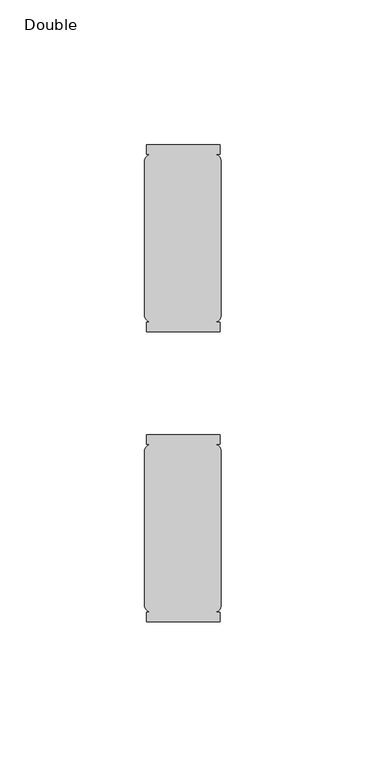
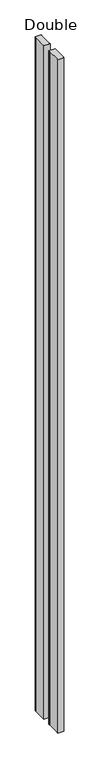
"""IFC4 building model written with IfcOpenShell, lengths in millimetres: furniture geometry, Double."""

import ifcopenshell
import ifcopenshell.guid

model = None  # the IFC model being written
_history = None  # IfcOwnerHistory: only IFC2X3 demands one
_inside = {}  # id of a spatial element -> (the spatial element, [elements in it])
_under = {}  # id of a project, library or spatial element -> (it, [spatial elements below it])
_declared = {}  # id of a project -> (the project, [libraries it declares])
_typed = {}  # id of a type object -> (the type object, [elements of that type])
_made_of = {}  # id of a material, layer set ... -> (it, [elements and type objects made of it])


def new_model(schema):
    """Start an empty IFC model of exactly this schema.

    Asked for "IFC4X3", IfcOpenShell would pick the latest addendum, in which some entities
    have other attributes; the version numbers below select the first issue.
    IFC2X3 requires an IfcOwnerHistory on every rooted entity: one is made here for all.
    """
    global model, _history
    if schema == "IFC4X3":
        model = ifcopenshell.file(schema_version=(4, 3, 0, 0))
    else:
        model = ifcopenshell.file(schema=schema)
    _inside.clear()
    _under.clear()
    _declared.clear()
    _typed.clear()
    _made_of.clear()
    _history = None
    if model.schema == "IFC2X3":
        org = make("IfcOrganization", Name="unknown")
        user = make(
            "IfcPersonAndOrganization",
            ThePerson=make("IfcPerson", FamilyName="unknown"),
            TheOrganization=org,
        )
        app = make(
            "IfcApplication",
            ApplicationDeveloper=org,
            Version="unknown",
            ApplicationFullName="unknown",
            ApplicationIdentifier="unknown",
        )
        _history = make(
            "IfcOwnerHistory",
            OwningUser=user,
            OwningApplication=app,
            ChangeAction="ADDED",
            CreationDate=0,
        )
    return model


def make(cls, **values):
    """One entity of the class cls with the attributes given. An attribute that is None is left unset."""
    return model.create_entity(
        cls, **{name: value for name, value in values.items() if value is not None}
    )


def rooted(cls, **values):
    """An entity with a GlobalId (a new one), such as an element, a storey or a relation."""
    return make(cls, GlobalId=ifcopenshell.guid.new(), OwnerHistory=_history, **values)


def si_unit(unit_type, name, prefix=None):
    """IfcSIUnit, for example si_unit("LENGTHUNIT", "METRE", prefix="MILLI")."""
    return make("IfcSIUnit", UnitType=unit_type, Prefix=prefix, Name=name)


def assignment(units):
    """IfcUnitAssignment: the units of a project."""
    return None if units is None else make("IfcUnitAssignment", Units=units)


def point(xyz):
    """IfcCartesianPoint."""
    return None if xyz is None else make("IfcCartesianPoint", Coordinates=xyz)


def direction(xyz):
    """IfcDirection."""
    return None if xyz is None else make("IfcDirection", DirectionRatios=xyz)


def frame(location, z_axis=None, x_axis=None):
    """IfcAxis2Placement3D, a coordinate frame: its origin and axes. An axis left out is left unset."""
    return make(
        "IfcAxis2Placement3D",
        Location=point(location),
        Axis=direction(z_axis),
        RefDirection=direction(x_axis),
    )


def frame_2d(location, x_axis=None):
    """IfcAxis2Placement2D, a coordinate frame in the plane: its origin and x axis."""
    return make(
        "IfcAxis2Placement2D", Location=point(location), RefDirection=direction(x_axis)
    )


def origin():
    """The frame at (0, 0, 0) with its axes left unset."""
    return frame((0.0, 0.0, 0.0))


def place(relative_to, where):
    """IfcLocalPlacement: puts the frame where relative to a parent placement (None: the world)."""
    return make(
        "IfcLocalPlacement", PlacementRelTo=relative_to, RelativePlacement=where
    )


def context(
    kind, dimensions, precision=None, world=None, true_north=None, identifier=None
):
    """IfcGeometricRepresentationContext, for example the 3D "Model" context."""
    return make(
        "IfcGeometricRepresentationContext",
        ContextIdentifier=identifier,
        ContextType=kind,
        CoordinateSpaceDimension=dimensions,
        Precision=precision,
        WorldCoordinateSystem=world,
        TrueNorth=true_north,
    )


def project(units=None, contexts=None):
    """IfcProject with its units and contexts."""
    return rooted(
        "IfcProject",
        Name="project",
        RepresentationContexts=contexts,
        UnitsInContext=assignment(units),
    )


def spatial(cls, under=None, at=None, **own):
    """A site, building, storey or space (cls), placed at a placement, below another one or the project."""
    s = rooted(cls, ObjectPlacement=at, **own)
    if under is not None:
        _under.setdefault(under.id(), (under, []))[1].append(s)
    return s


def polyline(points):
    """IfcPolyline through the points."""
    return make("IfcPolyline", Points=[point(p) for p in points])


def circle_curve(where, radius):
    """IfcCircle in the frame where."""
    return make("IfcCircle", Position=where, Radius=radius)


def trimmed(basis, trim1, trim2, sense, master):
    """IfcTrimmedCurve: the piece of a basis curve between two trims."""
    return make(
        "IfcTrimmedCurve",
        BasisCurve=basis,
        Trim1=trim1,
        Trim2=trim2,
        SenseAgreement=sense,
        MasterRepresentation=master,
    )


def segment(curve, same_sense, transition):
    """IfcCompositeCurveSegment."""
    return make(
        "IfcCompositeCurveSegment",
        Transition=transition,
        SameSense=same_sense,
        ParentCurve=curve,
    )


def composite_curve(segments, self_intersect=None):
    """IfcCompositeCurve: segments joined end to end."""
    return make("IfcCompositeCurve", Segments=segments, SelfIntersect=self_intersect)


def outline(outer, holes=None, kind="AREA"):
    """IfcArbitraryClosedProfileDef: a profile drawn as a closed curve; with holes, ...WithVoids."""
    if holes is None:
        return make("IfcArbitraryClosedProfileDef", ProfileType=kind, OuterCurve=outer)
    return make(
        "IfcArbitraryProfileDefWithVoids",
        ProfileType=kind,
        OuterCurve=outer,
        InnerCurves=holes,
    )


def extrude(swept, where, along, depth):
    """IfcExtrudedAreaSolid: the profile swept, set in the frame where, extruded along a direction by depth."""
    return make(
        "IfcExtrudedAreaSolid",
        SweptArea=swept,
        Position=where,
        ExtrudedDirection=direction(along),
        Depth=depth,
    )


def shape(context_of_items, identifier, shape_type, items):
    """IfcShapeRepresentation: the items that make up one representation, for example the "Body"."""
    return make(
        "IfcShapeRepresentation",
        ContextOfItems=context_of_items,
        RepresentationIdentifier=identifier,
        RepresentationType=shape_type,
        Items=items,
    )


def source(mapping_origin, context_of_items, identifier, shape_type, items):
    """IfcRepresentationMap: a shape defined once, which mapped items show again and again."""
    return make(
        "IfcRepresentationMap",
        MappingOrigin=mapping_origin,
        MappedRepresentation=shape(context_of_items, identifier, shape_type, items),
    )


def transform(
    local_origin,
    x_axis=None,
    y_axis=None,
    z_axis=None,
    scale=None,
    scale2=None,
    scale3=None,
    uniform=True,
):
    """IfcCartesianTransformationOperator3D, or its non-uniform kind. x_axis, y_axis, z_axis: its Axis1, 2, 3."""
    if uniform:
        return make(
            "IfcCartesianTransformationOperator3D",
            Axis1=direction(x_axis),
            Axis2=direction(y_axis),
            LocalOrigin=point(local_origin),
            Scale=scale,
            Axis3=direction(z_axis),
        )
    return make(
        "IfcCartesianTransformationOperator3DnonUniform",
        Axis1=direction(x_axis),
        Axis2=direction(y_axis),
        LocalOrigin=point(local_origin),
        Scale=scale,
        Axis3=direction(z_axis),
        Scale2=scale2,
        Scale3=scale3,
    )


def mapped(mapping_source, mapping_target):
    """IfcMappedItem: shows the shape of a source again, moved by a transform."""
    return make(
        "IfcMappedItem", MappingSource=mapping_source, MappingTarget=mapping_target
    )


def made_of(thing, what):
    """Note that an element or type object is made of a material, layer set ...; save() writes the relation."""
    if what is not None:
        _made_of.setdefault(what.id(), (what, []))[1].append(thing)
    return thing


def element(
    cls,
    number,
    at=None,
    inside=None,
    cuts=None,
    type_object=None,
    material=None,
    context=None,
    identifier="Body",
    shape_type=None,
    held_by="IfcProductDefinitionShape",
    body=None,
    shapes=None,
    **own,
):
    """One element of the class cls, such as IfcWall. Its Tag is "e" and its number.

    at: its placement. inside: the storey or other place that contains it. cuts: it is an
    opening in that element (IfcRelVoidsElement). A single representation is given by context,
    identifier, shape_type and body (its items); several are given by shapes. held_by: the class
    of the entity that holds the representations. save() writes the other relations.
    """
    e = rooted(cls, Tag="e%d" % number, ObjectPlacement=at, **own)
    if body is not None:
        shapes = [shape(context, identifier, shape_type, body)]
    if shapes is not None:
        e.Representation = make(held_by, Representations=shapes)
    if inside is not None:
        _inside.setdefault(inside.id(), (inside, []))[1].append(e)
    if cuts is not None:
        rooted(
            "IfcRelVoidsElement", RelatingBuildingElement=cuts, RelatedOpeningElement=e
        )
    if type_object is not None:
        _typed.setdefault(type_object.id(), (type_object, []))[1].append(e)
    return made_of(e, material)


def aggregate(whole, parts):
    """IfcRelAggregates: a whole, such as a stair, and the parts it consists of."""
    return rooted("IfcRelAggregates", RelatingObject=whole, RelatedObjects=parts)


def save(model, path):
    """Write the relations noted so far, then the file.

    IfcRelAggregates (storeys below a building ...), IfcRelContainedInSpatialStructure (elements
    in a storey), IfcRelDefinesByType, IfcRelAssociatesMaterial and IfcRelDeclares: one each for
    every whole, place, type object, material and project.
    """
    for whole, parts in _under.values():
        aggregate(whole, parts)
    for where, things in _inside.values():
        rooted(
            "IfcRelContainedInSpatialStructure",
            RelatedElements=things,
            RelatingStructure=where,
        )
    for kind, things in _typed.values():
        rooted("IfcRelDefinesByType", RelatedObjects=things, RelatingType=kind)
    for what, things in _made_of.values():
        rooted("IfcRelAssociatesMaterial", RelatedObjects=things, RelatingMaterial=what)
    for by, libraries in _declared.values():
        rooted("IfcRelDeclares", RelatingContext=by, RelatedDefinitions=libraries)
    model.write(path)


def double_933e7df8(model_context):
    return source(origin(), model_context, "Body", "SweptSolid", [
        extrude(outline(composite_curve([segment(polyline([(-13.1617229, 27.4619229), (-13.1617229, 81.5040771)]), True, "CONTINUOUS"), segment(trimmed(circle_curve(frame_2d((-10.4608087, 80.7888858)), 2.794), [point((-13.1617229, 81.5040771))], [point((-11.176, 83.4898))], False, "CARTESIAN"), True, "CONTINUOUS"), segment(polyline([(-11.176, 83.4898), (-12.5772868, 83.4898), (-12.5772868, 86.6648), (12.8227132, 86.6648), (12.8227132, 83.4898), (11.176, 83.4898)]), True, "CONTINUOUS"), segment(trimmed(circle_curve(frame_2d((10.4608087, 80.7888858)), 2.794), [point((11.176, 83.4898))], [point((13.1617229, 81.5040771))], False, "CARTESIAN"), True, "CONTINUOUS"), segment(polyline([(13.1617229, 81.5040771), (13.1617229, 27.4619229)]), True, "CONTINUOUS"), segment(trimmed(circle_curve(frame_2d((10.4608087, 28.1771142)), 2.794), [point((13.1617229, 27.4619229))], [point((11.176, 25.4762))], False, "CARTESIAN"), True, "CONTINUOUS"), segment(polyline([(11.176, 25.4762), (12.8227132, 25.4762), (12.8227132, 22.3012), (-12.5772868, 22.3012), (-12.5772868, 25.4762), (-11.176, 25.4762)]), True, "CONTINUOUS"), segment(trimmed(circle_curve(frame_2d((-10.4608087, 28.1771142)), 2.794), [point((-11.176, 25.4762))], [point((-13.1617229, 27.4619229))], False, "CARTESIAN"), True, "CONTINUOUS")], self_intersect=False)), frame((0.0, 0.0, 29.718), z_axis=(0.0, 0.0, 1.0), x_axis=(1.0, 0.0, 0.0)), (0.0, 0.0, 1.0), 2958.735199),
        extrude(outline(composite_curve([segment(trimmed(circle_curve(frame_2d((-10.4608087, -19.2363142)), 2.794), [point((-13.1617229, -18.5211229))], [point((-11.176, -16.5354))], False, "CARTESIAN"), True, "CONTINUOUS"), segment(polyline([(-11.176, -16.5354), (-12.5772868, -16.5354), (-12.5772868, -13.3604), (12.8227132, -13.3604), (12.8227132, -16.5354), (11.176, -16.5354)]), True, "CONTINUOUS"), segment(trimmed(circle_curve(frame_2d((10.4608087, -19.2363142)), 2.794), [point((11.176, -16.5354))], [point((13.1617229, -18.5211229))], False, "CARTESIAN"), True, "CONTINUOUS"), segment(polyline([(13.1617229, -18.5211229), (13.1617229, -72.5632771)]), True, "CONTINUOUS"), segment(trimmed(circle_curve(frame_2d((10.4608087, -71.8480858)), 2.794), [point((13.1617229, -72.5632771))], [point((11.176, -74.549))], False, "CARTESIAN"), True, "CONTINUOUS"), segment(polyline([(11.176, -74.549), (12.8227132, -74.549), (12.8227132, -77.724), (-12.5772868, -77.724), (-12.5772868, -74.549), (-11.176, -74.549)]), True, "CONTINUOUS"), segment(trimmed(circle_curve(frame_2d((-10.4608087, -71.8480858)), 2.794), [point((-11.176, -74.549))], [point((-13.1617229, -72.5632771))], False, "CARTESIAN"), True, "CONTINUOUS"), segment(polyline([(-13.1617229, -72.5632771), (-13.1617229, -18.5211229)]), True, "CONTINUOUS")], self_intersect=False)), frame((0.0, 0.0, 29.718), z_axis=(0.0, 0.0, 1.0), x_axis=(1.0, 0.0, 0.0)), (0.0, 0.0, 1.0), 2958.735199),
    ])


if __name__ == "__main__":
    model = new_model("IFC4")
    model_context = context("Model", 3, world=origin())
    ifc_project = project(units=[si_unit("LENGTHUNIT", "METRE", prefix="MILLI")], contexts=[model_context])
    site = spatial("IfcSite", under=ifc_project)
    building = spatial("IfcBuilding", under=site)
    placement = place(None, origin())
    double_shape = double_933e7df8(model_context)
    element("IfcFurniture", 1, ObjectType="Double", at=placement, inside=building, context=model_context, shape_type="MappedRepresentation", body=[
        mapped(double_shape, transform((0.0, 0.0, 0.0), x_axis=(1.0, 0.0, 0.0), y_axis=(0.0, 1.0, 0.0), z_axis=(0.0, 0.0, 1.0))),
    ])
    save(model, "model.ifc")
